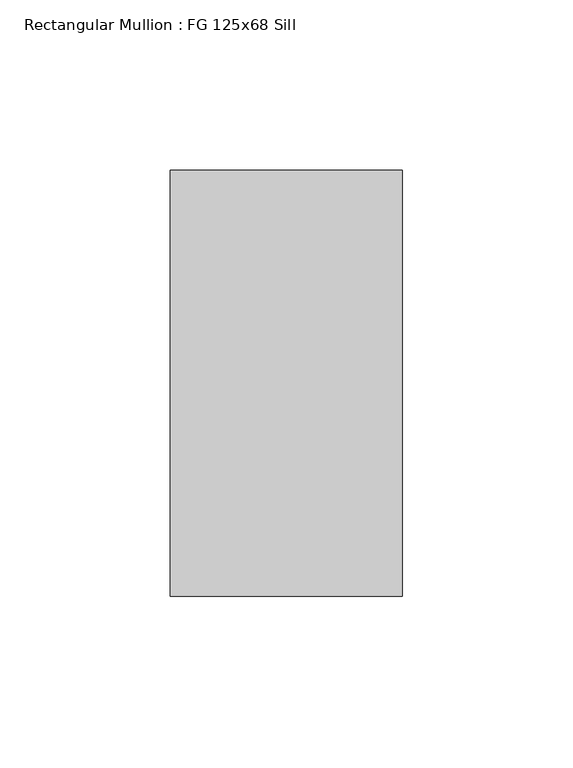
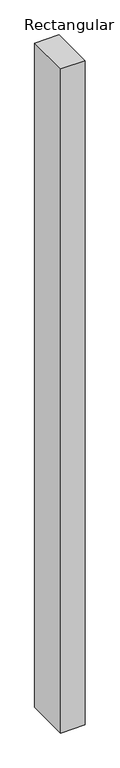
"""IFC4 building model written with IfcOpenShell, lengths in millimetres: member geometry, Rectangular Mullion : FG 125x68 Sill."""

from ifc_helpers import new_model, si_unit, frame, origin, place, context, project, spatial, polyline, outline, extrude, source, transform, mapped, element, save


def rectangular_mullion_fg_125x68_sill_194afb75(model_context):
    return source(origin(), model_context, "Body", "SweptSolid", [
        extrude(outline(polyline([(0.0, 62.5), (0.0, -62.5), (-68.0, -62.5), (-68.0, 62.5), (0.0, 62.5)])), frame((0.0, 0.0, -1954.166723), z_axis=(0.0, 0.0, 1.0), x_axis=(1.0, 0.0, 0.0)), (0.0, 0.0, 1.0), 1954.166723),
    ])


if __name__ == "__main__":
    model = new_model("IFC4")
    model_context = context("Model", 3, world=origin())
    ifc_project = project(units=[si_unit("LENGTHUNIT", "METRE", prefix="MILLI")], contexts=[model_context])
    site = spatial("IfcSite", under=ifc_project)
    building = spatial("IfcBuilding", under=site)
    placement = place(None, origin())
    rectangular_mullion_fg_125x68_sill_shape = rectangular_mullion_fg_125x68_sill_194afb75(model_context)
    element("IfcMember", 1, ObjectType="Rectangular Mullion : FG 125x68 Sill", at=placement, inside=building, context=model_context, shape_type="MappedRepresentation", body=[
        mapped(rectangular_mullion_fg_125x68_sill_shape, transform((0.0, 0.0, 0.0), x_axis=(1.0, 0.0, 0.0), y_axis=(0.0, 1.0, 0.0), z_axis=(0.0, 0.0, 1.0))),
    ])
    save(model, "model.ifc")
